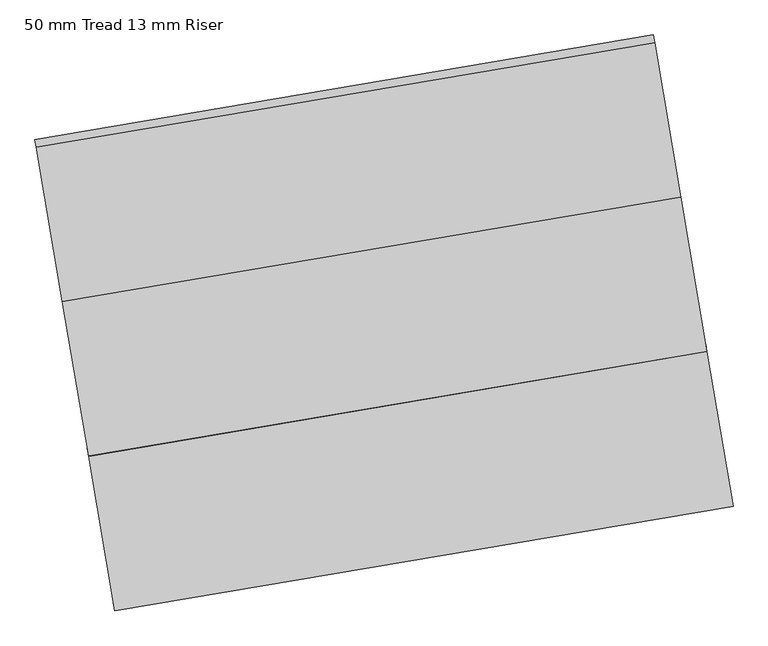
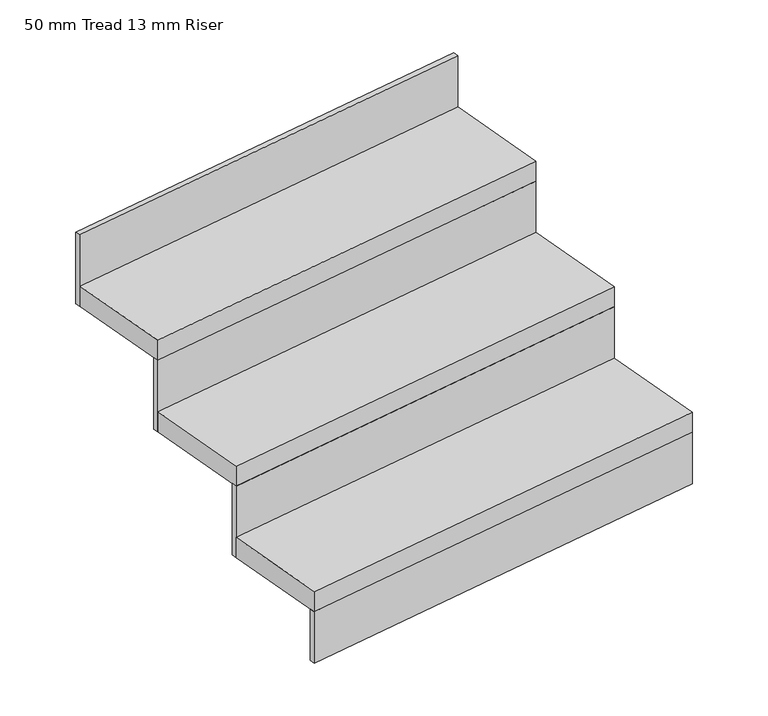
"""IFC4 building model written with IfcOpenShell, lengths in millimetres: stair flight geometry, 50 mm Tread 13 mm Riser."""

from ifc_helpers import new_model, si_unit, frame, origin, origin_with_axes, place, context, project, spatial, polyline, outline, extrude, source, transform, mapped, element, save


def stair_flight_50_mm_tread_13_mm_riser_b1b74f27(model_context):
    return source(origin(), model_context, "Body", "SweptSolid", [
        extrude(outline(polyline([(21172.5931755, -150598.2693332), (21174.6781846, -150610.5942161), (20188.6875566, -150777.3949404), (20186.6025476, -150765.0700576), (21172.5931755, -150598.2693332)])), origin_with_axes(), (0.0, 0.0, 1.0), 127.7777778),
        extrude(outline(polyline([(20146.9873756, -150530.8972834), (21132.9780035, -150364.0965591), (21174.6781846, -150610.5942161), (20188.6875566, -150777.3949404), (20146.9873756, -150530.8972834)])), frame((0.0, 0.0, 127.7777778), z_axis=(0.0, 0.0, 1.0), x_axis=(1.0, 0.0, 0.0)), (0.0, 0.0, 1.0), 50.0),
        extrude(outline(polyline([(21130.8929944, -150351.7716763), (21132.9780035, -150364.0965591), (20146.9873756, -150530.8972834), (20144.9023665, -150518.5724006), (21130.8929944, -150351.7716763)])), frame((0.0, 0.0, 127.7777778), z_axis=(0.0, 0.0, 1.0), x_axis=(1.0, 0.0, 0.0)), (0.0, 0.0, 1.0), 177.7777778),
        extrude(outline(polyline([(20105.2871945, -150284.3996264), (21091.2778224, -150117.5989021), (21132.9780035, -150364.0965591), (20146.9873756, -150530.8972834), (20105.2871945, -150284.3996264)])), frame((0.0, 0.0, 305.5555556), z_axis=(0.0, 0.0, 1.0), x_axis=(1.0, 0.0, 0.0)), (0.0, 0.0, 1.0), 50.0),
        extrude(outline(polyline([(21089.1928134, -150105.2740193), (21091.2778224, -150117.5989021), (20105.2871945, -150284.3996264), (20103.2021854, -150272.0747436), (21089.1928134, -150105.2740193)])), frame((0.0, 0.0, 305.5555556), z_axis=(0.0, 0.0, 1.0), x_axis=(1.0, 0.0, 0.0)), (0.0, 0.0, 1.0), 177.7777778),
        extrude(outline(polyline([(21047.4926323, -149858.7763623), (21049.5776414, -149871.1012451), (20063.5870134, -150037.9019695), (20061.5020044, -150025.5770866), (21047.4926323, -149858.7763623)])), frame((0.0, 0.0, 483.3333333), z_axis=(0.0, 0.0, 1.0), x_axis=(1.0, 0.0, 0.0)), (0.0, 0.0, 1.0), 177.7777778),
        extrude(outline(polyline([(20063.5870134, -150037.9019695), (21049.5776414, -149871.1012451), (21091.2778224, -150117.5989021), (20105.2871945, -150284.3996264), (20063.5870134, -150037.9019695)])), frame((0.0, 0.0, 483.3333333), z_axis=(0.0, 0.0, 1.0), x_axis=(1.0, 0.0, 0.0)), (0.0, 0.0, 1.0), 50.0),
    ])


if __name__ == "__main__":
    model = new_model("IFC4")
    model_context = context("Model", 3, world=origin())
    ifc_project = project(units=[si_unit("LENGTHUNIT", "METRE", prefix="MILLI")], contexts=[model_context])
    site = spatial("IfcSite", under=ifc_project)
    building = spatial("IfcBuilding", under=site)
    placement = place(None, origin())
    stair_flight_50_mm_tread_13_mm_riser_shape = stair_flight_50_mm_tread_13_mm_riser_b1b74f27(model_context)
    element("IfcStairFlight", 1, ObjectType="50 mm Tread 13 mm Riser", at=placement, inside=building, context=model_context, shape_type="MappedRepresentation", body=[
        mapped(stair_flight_50_mm_tread_13_mm_riser_shape, transform((0.0, 0.0, 0.0), x_axis=(1.0, 0.0, 0.0), y_axis=(0.0, 1.0, 0.0), z_axis=(0.0, 0.0, 1.0))),
    ])
    save(model, "model.ifc")
